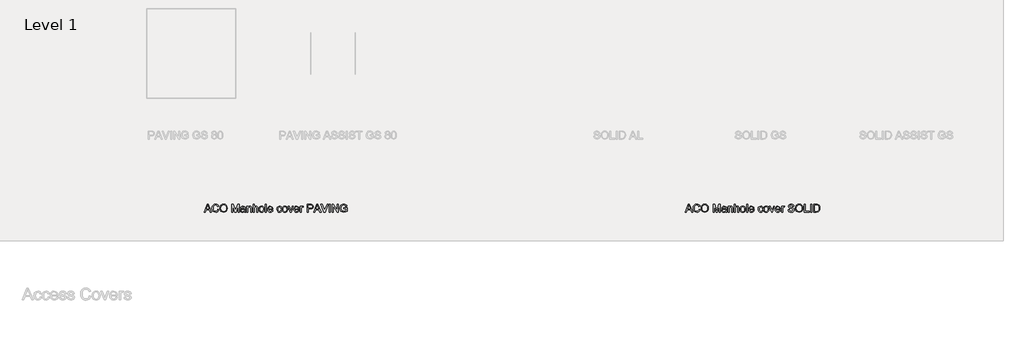
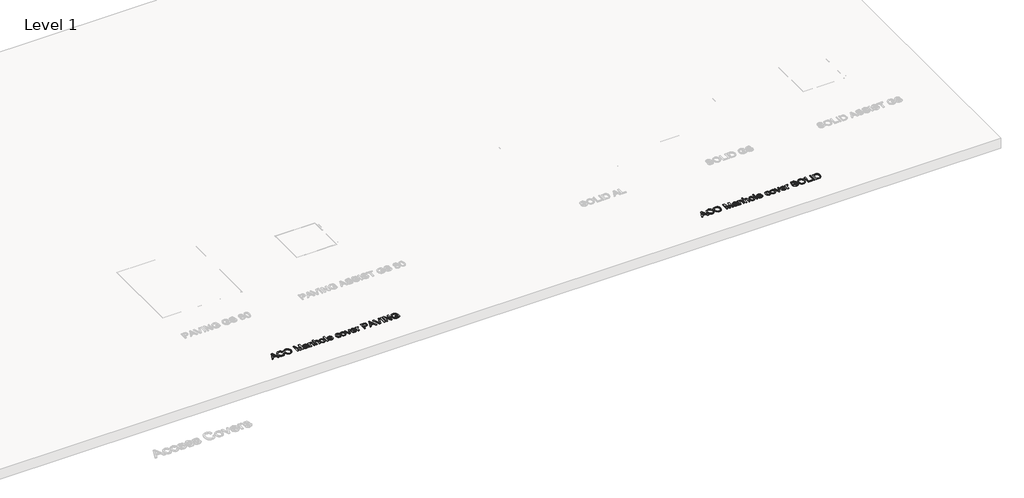
# One storey, part 2 of 9: 2 proxies.
"""IFC4 building model written with IfcOpenShell, lengths in millimetres."""

from ifc_helpers import new_model, si_unit, origin, origin_with_axes, place, context, project, spatial, polyline, outline, extrude, element, save

model = new_model("IFC4")

# Units and contexts
model_context = context("Model", 3, world=origin())
ifc_project = project(units=[si_unit("LENGTHUNIT", "METRE", prefix="MILLI")], contexts=[model_context])

# Site, building, storey
site = spatial("IfcSite", under=ifc_project)
building = spatial("IfcBuilding", under=site)
storey = spatial("IfcBuildingStorey", under=building, Name="Level 1", Elevation=0.0)

# Proxies
placement = place(None, origin())
element("IfcBuildingElementProxy", 1, Name="100mm ACO", ObjectType="100mm ACO", at=placement, inside=storey, context=model_context, shape_type="SweptSolid", body=[
    extrude(outline(polyline([(13654.5351282, -16737.8763634), (13640.6523737, -16737.8763634), (13628.6031906, -16708.0735529), (13585.9071721, -16708.0735529), (13574.3236578, -16737.8763634), (13560.4700077, -16737.8763634), (13599.5570921, -16637.2918781), (13613.8182026, -16637.2918781), (13654.5351282, -16737.8763634)]), holes=[polyline([(13624.0629187, -16696.897499), (13609.5544216, -16660.0223419), (13606.5712301, -16648.2933062), (13601.8854367, -16666.9782713), (13590.2728181, -16696.897499), (13624.0629187, -16696.897499)])]), origin_with_axes(), (0.0, 0.0, 1.0), 10.0),
    extrude(outline(polyline([(13749.0659176, -16705.8616256), (13743.1177249, -16720.7739449), (13733.9462301, -16731.3424465), (13722.089863, -16737.6398909), (13708.0870532, -16739.7390391), (13687.0591914, -16735.8608901), (13672.6380072, -16724.2264434), (13664.2996232, -16707.134939), (13661.5201619, -16686.8856174), (13664.7834823, -16665.3738964), (13674.5734436, -16649.0936746), (13689.4930391, -16638.8453205), (13708.1452619, -16635.4292024), (13721.5368812, -16637.2518597), (13732.8402664, -16642.7198314), (13741.5606444, -16651.7021481), (13747.203242, -16664.0678406), (13734.1645124, -16667.0946885), (13724.2544958, -16651.7421666), (13707.6504886, -16646.6052563), (13693.3457217, -16649.3301471), (13682.9700362, -16657.5048194), (13676.6616777, -16670.26342), (13674.5588915, -16686.7400958), (13676.785371, -16705.2104167), (13683.4648094, -16718.2455083), (13693.7240777, -16725.9836159), (13706.6900465, -16728.5629851), (13717.3203947, -16726.936782), (13725.7533677, -16722.0581725), (13731.9889655, -16713.9126045), (13736.0271881, -16702.485526), (13749.0659176, -16705.8616256)])), origin_with_axes(), (0.0, 0.0, 1.0), 10.0),
    extrude(outline(polyline([(13808.7588515, -16635.4292024), (13827.3565037, -16639.0235844), (13842.2288046, -16649.8067301), (13851.9860236, -16666.476222), (13855.2384299, -16687.7296423), (13851.9678334, -16708.8921116), (13842.1560439, -16725.4633764), (13827.2655528, -16736.1701234), (13808.7588515, -16739.7390391), (13789.7755672, -16736.039154), (13774.9105423, -16724.9394989), (13765.306121, -16708.5137556), (13762.1046472, -16688.8356059), (13765.3497775, -16666.6253816), (13775.0851682, -16649.7048651), (13789.9938495, -16638.9981181), (13808.7588515, -16635.4292024)]), holes=[polyline([(13808.6424343, -16728.5629851), (13822.1613849, -16725.8635606), (13832.8572178, -16717.7652872), (13839.8349754, -16704.857527), (13842.1997003, -16687.7296423), (13839.8313374, -16670.2197635), (13832.7262484, -16657.2719849), (13822.0340536, -16649.2719385), (13808.904373, -16646.6052563), (13795.4800114, -16649.2173679), (13784.6604852, -16657.0537026), (13777.5226539, -16670.2888862), (13775.1433768, -16689.0975447), (13777.4717214, -16705.0721713), (13784.4567551, -16717.6634221), (13795.159864, -16725.8380944), (13808.6424343, -16728.5629851)])]), origin_with_axes(), (0.0, 0.0, 1.0), 10.0),
    extrude(outline(polyline([(14006.1151579, -16737.8763634), (13993.0764283, -16737.8763634), (13993.0764283, -16653.5902901), (13967.4064295, -16737.8763634), (13953.5527793, -16737.8763634), (13926.3984608, -16652.2223876), (13926.0201048, -16737.8763634), (13912.9813752, -16737.8763634), (13912.9813752, -16637.2918781), (13932.8014083, -16637.2918781), (13955.7647066, -16708.5683262), (13960.2176656, -16723.4697314), (13965.2527107, -16707.3459453), (13986.7316894, -16637.2918781), (14006.1151579, -16637.2918781), (14006.1151579, -16737.8763634)])), origin_with_axes(), (0.0, 0.0, 1.0), 10.0),
    extrude(outline(polyline([(14089.9355623, -16737.8763634), (14076.8968328, -16737.8763634), (14073.1714814, -16729.0868627), (14060.6056969, -16737.075995), (14047.064918, -16739.7390391), (14037.020294, -16738.2838237), (14029.3549471, -16733.9181776), (14024.4981659, -16727.1659784), (14022.8792388, -16718.5511035), (14024.4654235, -16710.1945293), (14029.2239777, -16703.4605203), (14037.9043373, -16698.5382543), (14051.2559382, -16695.6169095), (14062.6648266, -16693.8706511), (14073.1714814, -16691.309472), (14072.8367819, -16683.2330268), (14070.8867933, -16678.3289511), (14065.6916745, -16674.2397959), (14056.0581489, -16672.6827155), (14043.9071007, -16675.8405328), (14037.780644, -16687.5841207), (14024.7419144, -16685.9833838), (14028.3181062, -16676.1170237), (14035.030287, -16669.0446771), (14044.8711808, -16664.7881722), (14057.8335116, -16663.3693372), (14077.202428, -16667.2547622), (14084.7986521, -16676.6263491), (14086.210211, -16690.7564902), (14086.210211, -16707.3750496), (14086.7631929, -16727.7480645), (14089.9355623, -16737.8763634)]), holes=[polyline([(14073.1714814, -16705.2795395), (14073.1714814, -16700.6228503), (14049.7570664, -16705.9780428), (14039.3777429, -16710.0599219), (14035.9179684, -16718.3473733), (14039.6433197, -16727.0204569), (14050.382809, -16730.4256608), (14066.2883128, -16724.7212166), (14071.4506893, -16717.0085752), (14073.1714814, -16705.2795395)])]), origin_with_axes(), (0.0, 0.0, 1.0), 10.0),
    extrude(outline(polyline([(14164.4425885, -16737.8763634), (14151.4038589, -16737.8763634), (14151.4038589, -16692.6482702), (14147.5184339, -16676.9610486), (14136.7061838, -16672.6827155), (14126.6215414, -16675.4185204), (14119.8693422, -16683.1311618), (14117.8756971, -16697.2176464), (14117.8756971, -16737.8763634), (14104.8369676, -16737.8763634), (14104.8369676, -16665.2320129), (14116.0130215, -16665.2320129), (14116.0130215, -16675.3312075), (14125.9666945, -16666.3525287), (14139.2964672, -16663.3693372), (14150.7344599, -16665.435743), (14159.5821692, -16671.6204083), (14163.6131157, -16680.409909), (14164.4425885, -16693.0266262), (14164.4425885, -16737.8763634)])), origin_with_axes(), (0.0, 0.0, 1.0), 10.0),
    extrude(outline(polyline([(14242.674966, -16737.8763634), (14229.6362364, -16737.8763634), (14229.6362364, -16690.9020117), (14225.9254372, -16677.2375396), (14214.8512484, -16672.6827155), (14201.8416231, -16678.0524602), (14197.5414617, -16685.528629), (14196.1080746, -16697.2176464), (14196.1080746, -16737.8763634), (14183.069345, -16737.8763634), (14183.069345, -16637.2918781), (14196.1080746, -16637.2918781), (14196.1080746, -16673.3230103), (14205.8652936, -16665.8577555), (14217.7907834, -16663.3693372), (14231.1496604, -16666.2506636), (14240.0992348, -16675.1129251), (14242.674966, -16691.7169323), (14242.674966, -16737.8763634)])), origin_with_axes(), (0.0, 0.0, 1.0), 10.0),
    extrude(outline(polyline([(14291.0754287, -16663.3693372), (14304.3288025, -16665.7777186), (14315.1010342, -16673.0028629), (14322.2497796, -16684.666414), (14324.6326947, -16700.3900159), (14322.0533255, -16718.7693858), (14314.3152179, -16730.8331211), (14303.3465321, -16737.5125596), (14291.0754287, -16739.7390391), (14278.411417, -16737.4507129), (14267.5445964, -16730.5857345), (14260.0684275, -16718.7511956), (14257.5763712, -16701.5541881), (14259.9847526, -16684.7391747), (14267.2098968, -16672.828237), (14277.9930426, -16665.7340622), (14291.0754287, -16663.3693372)]), holes=[polyline([(14291.0754287, -16730.4256608), (14299.9340521, -16728.4065495), (14306.369742, -16722.3492156), (14311.5939652, -16701.0885192), (14310.1169216, -16688.7337409), (14305.6857908, -16679.8423751), (14299.0791131, -16674.4726304), (14291.0754287, -16672.6827155), (14282.9153086, -16674.4980967), (14276.3632014, -16679.9442401), (14272.0521259, -16688.9847655), (14270.6151008, -16701.5832925), (14272.0775922, -16714.1381629), (14276.4650665, -16723.1641362), (14283.0426399, -16728.6102796), (14291.0754287, -16730.4256608)])]), origin_with_axes(), (0.0, 0.0, 1.0), 10.0),
    extrude(outline(polyline([(14352.5728296, -16737.8763634), (14339.5341, -16737.8763634), (14339.5341, -16637.2918781), (14352.5728296, -16637.2918781), (14352.5728296, -16737.8763634)])), origin_with_axes(), (0.0, 0.0, 1.0), 10.0),
    extrude(outline(polyline([(14434.5305583, -16704.3482016), (14380.5129644, -16704.3482016), (14382.5975604, -16715.5388077), (14387.3379244, -16723.7316701), (14394.1592464, -16728.7521631), (14402.4867162, -16730.4256608), (14414.2303041, -16726.7148616), (14421.4918288, -16715.5242555), (14434.5305583, -16717.0376795), (14430.1285319, -16726.7148616), (14423.1507743, -16733.859969), (14413.8519481, -16738.2692715), (14402.4867162, -16739.7390391), (14387.8145074, -16737.2178784), (14376.7439566, -16729.6543966), (14369.7916652, -16717.7252688), (14367.4742348, -16702.10717), (14369.7079904, -16686.4781571), (14376.4092571, -16674.1088266), (14387.1705746, -16666.0542096), (14401.5844827, -16663.3693372), (14416.8933482, -16666.8473019), (14429.3936481, -16678.6927549), (14433.2463308, -16689.2903607), (14434.5305583, -16704.3482016)]), holes=[polyline([(14421.4918288, -16695.0348234), (14419.3963186, -16684.8192116), (14414.6232123, -16677.9214908), (14401.2643353, -16672.6827155), (14393.3625159, -16674.2397959), (14387.0032248, -16678.9110372), (14380.5129644, -16695.0348234), (14421.4918288, -16695.0348234)])]), origin_with_axes(), (0.0, 0.0, 1.0), 10.0),
    extrude(outline(polyline([(14550.0164489, -16713.2832239), (14545.9636741, -16725.1577812), (14538.753082, -16733.3651958), (14529.3742191, -16738.1455782), (14518.8166317, -16739.7390391), (14504.4172757, -16737.1342036), (14493.6996147, -16729.3196971), (14487.0420044, -16717.2050293), (14484.822801, -16701.6997097), (14489.8869504, -16678.8819329), (14502.5618762, -16666.8473019), (14518.5546929, -16663.3693372), (14529.1668509, -16664.7918102), (14538.1273394, -16669.0592293), (14544.7012748, -16676.0842814), (14548.1537732, -16685.7796537), (14535.1150437, -16687.5841207), (14529.177765, -16676.422619), (14518.7002145, -16672.6827155), (14509.6924314, -16674.5781335), (14503.1585145, -16680.2643875), (14499.1857765, -16689.3485694), (14497.8615306, -16701.4377709), (14499.1894146, -16713.7379787), (14503.1730666, -16722.8730931), (14509.6596891, -16728.5375189), (14518.4964843, -16730.4256608), (14531.17141, -16725.7689716), (14536.9777193, -16711.7989042), (14550.0164489, -16713.2832239)])), origin_with_axes(), (0.0, 0.0, 1.0), 10.0),
    extrude(outline(polyline([(14587.2408577, -16663.3693372), (14600.4942315, -16665.7777186), (14611.2664632, -16673.0028629), (14618.4152086, -16684.666414), (14620.7981237, -16700.3900159), (14618.2187545, -16718.7693858), (14610.4806469, -16730.8331211), (14599.5119611, -16737.5125596), (14587.2408577, -16739.7390391), (14574.576846, -16737.4507129), (14563.7100254, -16730.5857345), (14556.2338565, -16718.7511956), (14553.7418002, -16701.5541881), (14556.1501816, -16684.7391747), (14563.3753258, -16672.828237), (14574.1584716, -16665.7340622), (14587.2408577, -16663.3693372)]), holes=[polyline([(14587.2408577, -16730.4256608), (14596.0994811, -16728.4065495), (14602.535171, -16722.3492156), (14607.7593942, -16701.0885192), (14606.2823506, -16688.7337409), (14601.8512198, -16679.8423751), (14595.2445421, -16674.4726304), (14587.2408577, -16672.6827155), (14579.0807376, -16674.4980967), (14572.5286304, -16679.9442401), (14568.2175549, -16688.9847655), (14566.7805298, -16701.5832925), (14568.2430212, -16714.1381629), (14572.6304955, -16723.1641362), (14579.2080689, -16728.6102796), (14587.2408577, -16730.4256608)])]), origin_with_axes(), (0.0, 0.0, 1.0), 10.0),
    extrude(outline(polyline([(14693.4424742, -16665.2320129), (14667.452328, -16737.8763634), (14656.2471698, -16737.8763634), (14628.2488264, -16665.2320129), (14640.0069664, -16665.2320129), (14655.5777707, -16707.2877366), (14660.8456503, -16723.4697314), (14664.891149, -16711.682487), (14681.6843342, -16665.2320129), (14693.4424742, -16665.2320129)])), origin_with_axes(), (0.0, 0.0, 1.0), 10.0),
    extrude(outline(polyline([(14767.9495004, -16704.3482016), (14713.9319064, -16704.3482016), (14716.0165024, -16715.5388077), (14720.7568665, -16723.7316701), (14727.5781884, -16728.7521631), (14735.9056583, -16730.4256608), (14747.6492462, -16726.7148616), (14754.9107708, -16715.5242555), (14767.9495004, -16717.0376795), (14763.547474, -16726.7148616), (14756.5697163, -16733.859969), (14747.2708902, -16738.2692715), (14735.9056583, -16739.7390391), (14721.2334495, -16737.2178784), (14710.1628987, -16729.6543966), (14703.2106073, -16717.7252688), (14700.8931769, -16702.10717), (14703.1269324, -16686.4781571), (14709.8281991, -16674.1088266), (14720.5895167, -16666.0542096), (14735.0034248, -16663.3693372), (14750.3122903, -16666.8473019), (14762.8125902, -16678.6927549), (14766.6652729, -16689.2903607), (14767.9495004, -16704.3482016)]), holes=[polyline([(14754.9107708, -16695.0348234), (14752.8152607, -16684.8192116), (14748.0421544, -16677.9214908), (14734.6832774, -16672.6827155), (14726.781458, -16674.2397959), (14720.4221669, -16678.9110372), (14713.9319064, -16695.0348234), (14754.9107708, -16695.0348234)])]), origin_with_axes(), (0.0, 0.0, 1.0), 10.0),
    extrude(outline(polyline([(14821.9670944, -16666.2215593), (14817.8924914, -16674.5453912), (14809.3358251, -16672.6827155), (14803.5076876, -16674.3198328), (14799.2948392, -16679.2311846), (14795.8896352, -16697.5668981), (14795.8896352, -16737.8763634), (14782.8509056, -16737.8763634), (14782.8509056, -16665.2320129), (14794.0269596, -16665.2320129), (14794.0269596, -16676.0006065), (14800.9974411, -16666.5271546), (14809.4813466, -16663.3693372), (14821.9670944, -16666.2215593)])), origin_with_axes(), (0.0, 0.0, 1.0), 10.0),
    extrude(outline(polyline([(14870.3966614, -16637.2918781), (14908.174052, -16637.2918781), (14923.5702304, -16638.1795594), (14935.561205, -16642.7925921), (14943.9286933, -16652.9063388), (14946.7663632, -16666.2797679), (14944.5289696, -16678.7837059), (14937.8167888, -16688.5300107), (14926.1714279, -16694.8056269), (14909.1344941, -16696.897499), (14883.435391, -16696.897499), (14883.435391, -16737.8763634), (14870.3966614, -16737.8763634), (14870.3966614, -16637.2918781)]), holes=[polyline([(14883.435391, -16685.7214451), (14909.6583717, -16685.7214451), (14927.7103181, -16680.9556148), (14932.2233047, -16674.9983269), (14933.7276336, -16666.6581239), (14930.5989206, -16655.6130394), (14922.9153835, -16649.6466564), (14909.3673286, -16648.467932), (14883.435391, -16648.467932), (14883.435391, -16685.7214451)])]), origin_with_axes(), (0.0, 0.0, 1.0), 10.0),
    extrude(outline(polyline([(15045.9538418, -16737.8763634), (15032.0710873, -16737.8763634), (15020.0219042, -16708.0735529), (14977.3258856, -16708.0735529), (14965.7423714, -16737.8763634), (14951.8887212, -16737.8763634), (14990.9758057, -16637.2918781), (15005.2369162, -16637.2918781), (15045.9538418, -16737.8763634)]), holes=[polyline([(15015.4816323, -16696.897499), (15000.9731352, -16660.0223419), (14997.9899437, -16648.2933062), (14993.3041502, -16666.9782713), (14981.6915317, -16696.897499), (15015.4816323, -16696.897499)])]), origin_with_axes(), (0.0, 0.0, 1.0), 10.0),
    extrude(outline(polyline([(15136.7592799, -16637.2918781), (15099.0400979, -16737.8763634), (15083.2073549, -16737.8763634), (15045.4881729, -16637.2918781), (15059.3127187, -16637.2918781), (15085.8267425, -16710.4018975), (15091.1237264, -16726.8167267), (15096.4498146, -16710.4018975), (15122.934734, -16637.2918781), (15136.7592799, -16637.2918781)])), origin_with_axes(), (0.0, 0.0, 1.0), 10.0),
    extrude(outline(polyline([(15164.6994147, -16737.8763634), (15151.6606851, -16737.8763634), (15151.6606851, -16637.2918781), (15164.6994147, -16637.2918781), (15164.6994147, -16737.8763634)])), origin_with_axes(), (0.0, 0.0, 1.0), 10.0),
    extrude(outline(polyline([(15267.1465757, -16737.8763634), (15253.1765083, -16737.8763634), (15202.2148666, -16659.178317), (15202.2148666, -16737.8763634), (15188.9141982, -16737.8763634), (15188.9141982, -16637.2918781), (15202.9133699, -16637.2918781), (15253.8459074, -16715.9317158), (15253.8459074, -16637.2918781), (15267.1465757, -16637.2918781), (15267.1465757, -16737.8763634)])), origin_with_axes(), (0.0, 0.0, 1.0), 10.0),
    extrude(outline(polyline([(15377.0444393, -16724.4592778), (15357.5227253, -16735.9190987), (15336.269305, -16739.7390391), (15315.7689587, -16736.2028657), (15299.6706389, -16725.5943458), (15289.2476589, -16709.121308), (15285.7733322, -16687.991581), (15291.43412, -16661.3320357), (15298.4373439, -16650.3815402), (15308.1254401, -16642.210506), (15320.3856295, -16637.1245283), (15335.1051328, -16635.4292024), (15350.0283662, -16637.3137063), (15361.6773651, -16642.967218), (15370.0594056, -16652.3824613), (15375.1817636, -16665.5521603), (15362.1430341, -16668.9573642), (15358.3631122, -16659.1965072), (15352.4367476, -16652.2078355), (15344.3639405, -16648.0059011), (15334.1446906, -16646.6052563), (15318.7958067, -16649.4283741), (15307.7325319, -16657.8977275), (15301.0421793, -16670.9364571), (15298.8120618, -16687.4677035), (15303.2213643, -16710.2127195), (15316.3037504, -16723.9208481), (15335.1633414, -16728.5629851), (15350.1156791, -16725.7398673), (15364.0057097, -16717.270514), (15364.0057097, -16696.897499), (15334.2028992, -16696.897499), (15334.2028992, -16685.7214451), (15377.0444393, -16685.7214451), (15377.0444393, -16724.4592778)])), origin_with_axes(), (0.0, 0.0, 1.0), 10.0),
])
element("IfcBuildingElementProxy", 2, Name="100mm ACO", ObjectType="100mm ACO", at=placement, inside=storey, context=model_context, shape_type="SweptSolid", body=[
    extrude(outline(polyline([(19765.6458589, -16737.8763634), (19751.7631044, -16737.8763634), (19739.7139213, -16708.0735529), (19697.0179028, -16708.0735529), (19685.4343885, -16737.8763634), (19671.5807384, -16737.8763634), (19710.6678228, -16637.2918781), (19724.9289333, -16637.2918781), (19765.6458589, -16737.8763634)]), holes=[polyline([(19735.1736494, -16696.897499), (19720.6651523, -16660.0223419), (19717.6819608, -16648.2933062), (19712.9961674, -16666.9782713), (19701.3835488, -16696.897499), (19735.1736494, -16696.897499)])]), origin_with_axes(), (0.0, 0.0, 1.0), 10.0),
    extrude(outline(polyline([(19860.1766483, -16705.8616256), (19854.2284556, -16720.7739449), (19845.0569608, -16731.3424465), (19833.2005937, -16737.6398909), (19819.1977839, -16739.7390391), (19798.1699221, -16735.8608901), (19783.7487379, -16724.2264434), (19775.4103539, -16707.134939), (19772.6308926, -16686.8856174), (19775.894213, -16665.3738964), (19785.6841743, -16649.0936746), (19800.6037697, -16638.8453205), (19819.2559926, -16635.4292024), (19832.6476119, -16637.2518597), (19843.9509971, -16642.7198314), (19852.6713751, -16651.7021481), (19858.3139727, -16664.0678406), (19845.2752431, -16667.0946885), (19835.3652265, -16651.7421666), (19818.7612193, -16646.6052563), (19804.4564524, -16649.3301471), (19794.0807669, -16657.5048194), (19787.7724084, -16670.26342), (19785.6696222, -16686.7400958), (19787.8961017, -16705.2104167), (19794.5755401, -16718.2455083), (19804.8348084, -16725.9836159), (19817.8007772, -16728.5629851), (19828.4311254, -16726.936782), (19836.8640983, -16722.0581725), (19843.0996961, -16713.9126045), (19847.1379188, -16702.485526), (19860.1766483, -16705.8616256)])), origin_with_axes(), (0.0, 0.0, 1.0), 10.0),
    extrude(outline(polyline([(19919.8695822, -16635.4292024), (19938.4672344, -16639.0235844), (19953.3395353, -16649.8067301), (19963.0967543, -16666.476222), (19966.3491606, -16687.7296423), (19963.0785641, -16708.8921116), (19953.2667746, -16725.4633764), (19938.3762835, -16736.1701234), (19919.8695822, -16739.7390391), (19900.8862979, -16736.039154), (19886.021273, -16724.9394989), (19876.4168517, -16708.5137556), (19873.2153779, -16688.8356059), (19876.4605081, -16666.6253816), (19886.1958989, -16649.7048651), (19901.1045802, -16638.9981181), (19919.8695822, -16635.4292024)]), holes=[polyline([(19919.753165, -16728.5629851), (19933.2721156, -16725.8635606), (19943.9679485, -16717.7652872), (19950.9457061, -16704.857527), (19953.310431, -16687.7296423), (19950.942068, -16670.2197635), (19943.8369791, -16657.2719849), (19933.1447843, -16649.2719385), (19920.0151037, -16646.6052563), (19906.5907421, -16649.2173679), (19895.7712159, -16657.0537026), (19888.6333846, -16670.2888862), (19886.2541075, -16689.0975447), (19888.5824521, -16705.0721713), (19895.5674858, -16717.6634221), (19906.2705947, -16725.8380944), (19919.753165, -16728.5629851)])]), origin_with_axes(), (0.0, 0.0, 1.0), 10.0),
    extrude(outline(polyline([(20117.2258886, -16737.8763634), (20104.187159, -16737.8763634), (20104.187159, -16653.5902901), (20078.5171602, -16737.8763634), (20064.66351, -16737.8763634), (20037.5091915, -16652.2223876), (20037.1308355, -16737.8763634), (20024.0921059, -16737.8763634), (20024.0921059, -16637.2918781), (20043.912139, -16637.2918781), (20066.8754373, -16708.5683262), (20071.3283963, -16723.4697314), (20076.3634414, -16707.3459453), (20097.8424201, -16637.2918781), (20117.2258886, -16637.2918781), (20117.2258886, -16737.8763634)])), origin_with_axes(), (0.0, 0.0, 1.0), 10.0),
    extrude(outline(polyline([(20201.046293, -16737.8763634), (20188.0075634, -16737.8763634), (20184.2822121, -16729.0868627), (20171.7164275, -16737.075995), (20158.1756487, -16739.7390391), (20148.1310247, -16738.2838237), (20140.4656778, -16733.9181776), (20135.6088966, -16727.1659784), (20133.9899695, -16718.5511035), (20135.5761542, -16710.1945293), (20140.3347084, -16703.4605203), (20149.015068, -16698.5382543), (20162.3666689, -16695.6169095), (20173.7755573, -16693.8706511), (20184.2822121, -16691.309472), (20183.9475126, -16683.2330268), (20181.997524, -16678.3289511), (20176.8024052, -16674.2397959), (20167.1688796, -16672.6827155), (20155.0178314, -16675.8405328), (20148.8913747, -16687.5841207), (20135.8526451, -16685.9833838), (20139.4288369, -16676.1170237), (20146.1410177, -16669.0446771), (20155.9819115, -16664.7881722), (20168.9442423, -16663.3693372), (20188.3131587, -16667.2547622), (20195.9093828, -16676.6263491), (20197.3209417, -16690.7564902), (20197.3209417, -16707.3750496), (20197.8739235, -16727.7480645), (20201.046293, -16737.8763634)]), holes=[polyline([(20184.2822121, -16705.2795395), (20184.2822121, -16700.6228503), (20160.8677971, -16705.9780428), (20150.4884736, -16710.0599219), (20147.0286991, -16718.3473733), (20150.7540504, -16727.0204569), (20161.4935397, -16730.4256608), (20177.3990435, -16724.7212166), (20182.56142, -16717.0085752), (20184.2822121, -16705.2795395)])]), origin_with_axes(), (0.0, 0.0, 1.0), 10.0),
    extrude(outline(polyline([(20275.5533192, -16737.8763634), (20262.5145896, -16737.8763634), (20262.5145896, -16692.6482702), (20258.6291646, -16676.9610486), (20247.8169145, -16672.6827155), (20237.7322721, -16675.4185204), (20230.9800729, -16683.1311618), (20228.9864278, -16697.2176464), (20228.9864278, -16737.8763634), (20215.9476983, -16737.8763634), (20215.9476983, -16665.2320129), (20227.1237522, -16665.2320129), (20227.1237522, -16675.3312075), (20237.0774252, -16666.3525287), (20250.4071979, -16663.3693372), (20261.8451905, -16665.435743), (20270.6928999, -16671.6204083), (20274.7238464, -16680.409909), (20275.5533192, -16693.0266262), (20275.5533192, -16737.8763634)])), origin_with_axes(), (0.0, 0.0, 1.0), 10.0),
    extrude(outline(polyline([(20353.7856967, -16737.8763634), (20340.7469671, -16737.8763634), (20340.7469671, -16690.9020117), (20337.0361679, -16677.2375396), (20325.9619791, -16672.6827155), (20312.9523538, -16678.0524602), (20308.6521924, -16685.528629), (20307.2188053, -16697.2176464), (20307.2188053, -16737.8763634), (20294.1800757, -16737.8763634), (20294.1800757, -16637.2918781), (20307.2188053, -16637.2918781), (20307.2188053, -16673.3230103), (20316.9760243, -16665.8577555), (20328.9015141, -16663.3693372), (20342.260391, -16666.2506636), (20351.2099655, -16675.1129251), (20353.7856967, -16691.7169323), (20353.7856967, -16737.8763634)])), origin_with_axes(), (0.0, 0.0, 1.0), 10.0),
    extrude(outline(polyline([(20402.1861594, -16663.3693372), (20415.4395332, -16665.7777186), (20426.2117649, -16673.0028629), (20433.3605103, -16684.666414), (20435.7434254, -16700.3900159), (20433.1640562, -16718.7693858), (20425.4259486, -16730.8331211), (20414.4572628, -16737.5125596), (20402.1861594, -16739.7390391), (20389.5221477, -16737.4507129), (20378.6553271, -16730.5857345), (20371.1791582, -16718.7511956), (20368.6871019, -16701.5541881), (20371.0954833, -16684.7391747), (20378.3206275, -16672.828237), (20389.1037733, -16665.7340622), (20402.1861594, -16663.3693372)]), holes=[polyline([(20402.1861594, -16730.4256608), (20411.0447828, -16728.4065495), (20417.4804727, -16722.3492156), (20422.7046959, -16701.0885192), (20421.2276523, -16688.7337409), (20416.7965215, -16679.8423751), (20410.1898438, -16674.4726304), (20402.1861594, -16672.6827155), (20394.0260393, -16674.4980967), (20387.4739321, -16679.9442401), (20383.1628566, -16688.9847655), (20381.7258315, -16701.5832925), (20383.1883229, -16714.1381629), (20387.5757972, -16723.1641362), (20394.1533706, -16728.6102796), (20402.1861594, -16730.4256608)])]), origin_with_axes(), (0.0, 0.0, 1.0), 10.0),
    extrude(outline(polyline([(20463.6835602, -16737.8763634), (20450.6448307, -16737.8763634), (20450.6448307, -16637.2918781), (20463.6835602, -16637.2918781), (20463.6835602, -16737.8763634)])), origin_with_axes(), (0.0, 0.0, 1.0), 10.0),
    extrude(outline(polyline([(20545.641289, -16704.3482016), (20491.6236951, -16704.3482016), (20493.7082911, -16715.5388077), (20498.4486551, -16723.7316701), (20505.269977, -16728.7521631), (20513.5974469, -16730.4256608), (20525.3410348, -16726.7148616), (20532.6025594, -16715.5242555), (20545.641289, -16717.0376795), (20541.2392626, -16726.7148616), (20534.261505, -16733.859969), (20524.9626788, -16738.2692715), (20513.5974469, -16739.7390391), (20498.9252381, -16737.2178784), (20487.8546873, -16729.6543966), (20480.9023959, -16717.7252688), (20478.5849655, -16702.10717), (20480.818721, -16686.4781571), (20487.5199878, -16674.1088266), (20498.2813053, -16666.0542096), (20512.6952134, -16663.3693372), (20528.0040789, -16666.8473019), (20540.5043788, -16678.6927549), (20544.3570615, -16689.2903607), (20545.641289, -16704.3482016)]), holes=[polyline([(20532.6025594, -16695.0348234), (20530.5070493, -16684.8192116), (20525.733943, -16677.9214908), (20512.375066, -16672.6827155), (20504.4732466, -16674.2397959), (20498.1139555, -16678.9110372), (20491.6236951, -16695.0348234), (20532.6025594, -16695.0348234)])]), origin_with_axes(), (0.0, 0.0, 1.0), 10.0),
    extrude(outline(polyline([(20661.1271796, -16713.2832239), (20657.0744048, -16725.1577812), (20649.8638127, -16733.3651958), (20640.4849498, -16738.1455782), (20629.9273624, -16739.7390391), (20615.5280064, -16737.1342036), (20604.8103453, -16729.3196971), (20598.1527351, -16717.2050293), (20595.9335317, -16701.6997097), (20600.9976811, -16678.8819329), (20613.6726069, -16666.8473019), (20629.6654236, -16663.3693372), (20640.2775816, -16664.7918102), (20649.2380701, -16669.0592293), (20655.8120055, -16676.0842814), (20659.2645039, -16685.7796537), (20646.2257743, -16687.5841207), (20640.2884957, -16676.422619), (20629.8109451, -16672.6827155), (20620.8031621, -16674.5781335), (20614.2692452, -16680.2643875), (20610.2965072, -16689.3485694), (20608.9722613, -16701.4377709), (20610.3001453, -16713.7379787), (20614.2837973, -16722.8730931), (20620.7704198, -16728.5375189), (20629.607215, -16730.4256608), (20642.2821407, -16725.7689716), (20648.08845, -16711.7989042), (20661.1271796, -16713.2832239)])), origin_with_axes(), (0.0, 0.0, 1.0), 10.0),
    extrude(outline(polyline([(20698.3515883, -16663.3693372), (20711.6049622, -16665.7777186), (20722.3771939, -16673.0028629), (20729.5259393, -16684.666414), (20731.9088544, -16700.3900159), (20729.3294852, -16718.7693858), (20721.5913776, -16730.8331211), (20710.6226918, -16737.5125596), (20698.3515883, -16739.7390391), (20685.6875767, -16737.4507129), (20674.8207561, -16730.5857345), (20667.3445872, -16718.7511956), (20664.8525309, -16701.5541881), (20667.2609123, -16684.7391747), (20674.4860565, -16672.828237), (20685.2692023, -16665.7340622), (20698.3515883, -16663.3693372)]), holes=[polyline([(20698.3515883, -16730.4256608), (20707.2102118, -16728.4065495), (20713.6459017, -16722.3492156), (20718.8701249, -16701.0885192), (20717.3930813, -16688.7337409), (20712.9619505, -16679.8423751), (20706.3552728, -16674.4726304), (20698.3515883, -16672.6827155), (20690.1914682, -16674.4980967), (20683.6393611, -16679.9442401), (20679.3282856, -16688.9847655), (20677.8912605, -16701.5832925), (20679.3537519, -16714.1381629), (20683.7412262, -16723.1641362), (20690.3187996, -16728.6102796), (20698.3515883, -16730.4256608)])]), origin_with_axes(), (0.0, 0.0, 1.0), 10.0),
    extrude(outline(polyline([(20804.5532049, -16665.2320129), (20778.5630587, -16737.8763634), (20767.3579005, -16737.8763634), (20739.359557, -16665.2320129), (20751.1176971, -16665.2320129), (20766.6885014, -16707.2877366), (20771.956381, -16723.4697314), (20776.0018797, -16711.682487), (20792.7950649, -16665.2320129), (20804.5532049, -16665.2320129)])), origin_with_axes(), (0.0, 0.0, 1.0), 10.0),
    extrude(outline(polyline([(20879.0602311, -16704.3482016), (20825.0426371, -16704.3482016), (20827.1272331, -16715.5388077), (20831.8675971, -16723.7316701), (20838.6889191, -16728.7521631), (20847.016389, -16730.4256608), (20858.7599769, -16726.7148616), (20866.0215015, -16715.5242555), (20879.0602311, -16717.0376795), (20874.6582047, -16726.7148616), (20867.680447, -16733.859969), (20858.3816209, -16738.2692715), (20847.016389, -16739.7390391), (20832.3441802, -16737.2178784), (20821.2736294, -16729.6543966), (20814.321338, -16717.7252688), (20812.0039076, -16702.10717), (20814.2376631, -16686.4781571), (20820.9389298, -16674.1088266), (20831.7002474, -16666.0542096), (20846.1141555, -16663.3693372), (20861.423021, -16666.8473019), (20873.9233209, -16678.6927549), (20877.7760036, -16689.2903607), (20879.0602311, -16704.3482016)]), holes=[polyline([(20866.0215015, -16695.0348234), (20863.9259914, -16684.8192116), (20859.152885, -16677.9214908), (20845.7940081, -16672.6827155), (20837.8921887, -16674.2397959), (20831.5328976, -16678.9110372), (20825.0426371, -16695.0348234), (20866.0215015, -16695.0348234)])]), origin_with_axes(), (0.0, 0.0, 1.0), 10.0),
    extrude(outline(polyline([(20933.0778251, -16666.2215593), (20929.0032221, -16674.5453912), (20920.4465558, -16672.6827155), (20914.6184183, -16674.3198328), (20910.4055698, -16679.2311846), (20907.0003659, -16697.5668981), (20907.0003659, -16737.8763634), (20893.9616363, -16737.8763634), (20893.9616363, -16665.2320129), (20905.1376903, -16665.2320129), (20905.1376903, -16676.0006065), (20912.1081718, -16666.5271546), (20920.5920773, -16663.3693372), (20933.0778251, -16666.2215593)])), origin_with_axes(), (0.0, 0.0, 1.0), 10.0),
    extrude(outline(polyline([(21039.2503374, -16667.0946885), (21037.227588, -16658.1487522), (21032.7309726, -16651.7421666), (21025.760491, -16647.8894839), (21016.3161434, -16646.6052563), (21000.5998175, -16650.6070986), (20996.0595456, -16655.5220884), (20994.5461217, -16662.2633736), (20999.0427371, -16672.3771203), (21017.3347941, -16678.7073071), (21037.2857966, -16684.2225733), (21050.5137042, -16693.201252), (21054.6392397, -16700.3245312), (21056.0144182, -16709.5287683), (21053.4932576, -16721.4360679), (21045.9297758, -16731.1387163), (21034.3135193, -16737.5889584), (21019.6340344, -16739.7390391), (21001.5457075, -16737.3524859), (20988.6670516, -16730.1928263), (20980.8088887, -16719.2350547), (20977.7820408, -16705.4541653), (20990.8207703, -16704.3482016), (20993.4656243, -16715.2877831), (20999.7121362, -16722.7857802), (21008.5998639, -16727.1186839), (21019.1683655, -16728.5629851), (21036.3981153, -16723.8044309), (21041.3312953, -16718.1982138), (21042.9756887, -16710.8966707), (21041.2767247, -16703.5260049), (21036.179833, -16698.4691316), (21012.7654179, -16690.9747725), (20998.4715651, -16686.6091265), (20988.8271253, -16680.7009521), (20983.3373254, -16673.0283292), (20981.5073921, -16663.3693372), (20983.8029943, -16652.3097005), (20990.689801, -16643.345574), (21001.5347934, -16637.4082953), (21015.7049529, -16635.4292024), (21030.3516955, -16637.4228475), (21041.8115164, -16643.4037826), (21049.3640841, -16653.0518604), (21052.2890669, -16666.0469335), (21039.2503374, -16667.0946885)])), origin_with_axes(), (0.0, 0.0, 1.0), 10.0),
    extrude(outline(polyline([(21117.5700277, -16635.4292024), (21136.16768, -16639.0235844), (21151.0399809, -16649.8067301), (21160.7971999, -16666.476222), (21164.0496062, -16687.7296423), (21160.7790097, -16708.8921116), (21150.9672201, -16725.4633764), (21136.076729, -16736.1701234), (21117.5700277, -16739.7390391), (21098.5867434, -16736.039154), (21083.7217186, -16724.9394989), (21074.1172972, -16708.5137556), (21070.9158235, -16688.8356059), (21074.1609537, -16666.6253816), (21083.8963444, -16649.7048651), (21098.8050257, -16638.9981181), (21117.5700277, -16635.4292024)]), holes=[polyline([(21117.4536105, -16728.5629851), (21130.9725612, -16725.8635606), (21141.668394, -16717.7652872), (21148.6461516, -16704.857527), (21151.0108766, -16687.7296423), (21148.6425136, -16670.2197635), (21141.5374246, -16657.2719849), (21130.8452298, -16649.2719385), (21117.7155493, -16646.6052563), (21104.2911876, -16649.2173679), (21093.4716615, -16657.0537026), (21086.3338302, -16670.2888862), (21083.954553, -16689.0975447), (21086.2828976, -16705.0721713), (21093.2679313, -16717.6634221), (21103.9710403, -16725.8380944), (21117.4536105, -16728.5629851)])]), origin_with_axes(), (0.0, 0.0, 1.0), 10.0),
    extrude(outline(polyline([(21246.007335, -16737.8763634), (21182.6763627, -16737.8763634), (21182.6763627, -16637.2918781), (21195.7150923, -16637.2918781), (21195.7150923, -16726.7003095), (21246.007335, -16726.7003095), (21246.007335, -16737.8763634)])), origin_with_axes(), (0.0, 0.0, 1.0), 10.0),
    extrude(outline(polyline([(21275.8101454, -16737.8763634), (21262.7714158, -16737.8763634), (21262.7714158, -16637.2918781), (21275.8101454, -16637.2918781), (21275.8101454, -16737.8763634)])), origin_with_axes(), (0.0, 0.0, 1.0), 10.0),
    extrude(outline(polyline([(21300.0249289, -16637.2918781), (21334.2515941, -16637.2918781), (21349.7350854, -16638.2232159), (21362.1335203, -16642.7489357), (21372.4801014, -16652.6589522), (21379.450583, -16667.1674493), (21381.9826577, -16687.0311389), (21379.3778222, -16707.2840986), (21371.5633158, -16723.5715965), (21357.3967943, -16734.3001717), (21335.7359137, -16737.8763634), (21300.0249289, -16737.8763634), (21300.0249289, -16637.2918781)]), holes=[polyline([(21313.0636585, -16726.7003095), (21334.5135328, -16726.7003095), (21346.2280164, -16725.8562846), (21356.6910148, -16721.3014605), (21365.4659634, -16709.1358601), (21368.9439281, -16686.7400958), (21367.60513, -16672.3625681), (21362.6865021, -16660.1824156), (21354.4645353, -16652.1350747), (21345.4130958, -16649.0209138), (21334.1060725, -16648.467932), (21313.0636585, -16648.467932), (21313.0636585, -16726.7003095)])]), origin_with_axes(), (0.0, 0.0, 1.0), 10.0),
])

save(model, "model.ifc")
